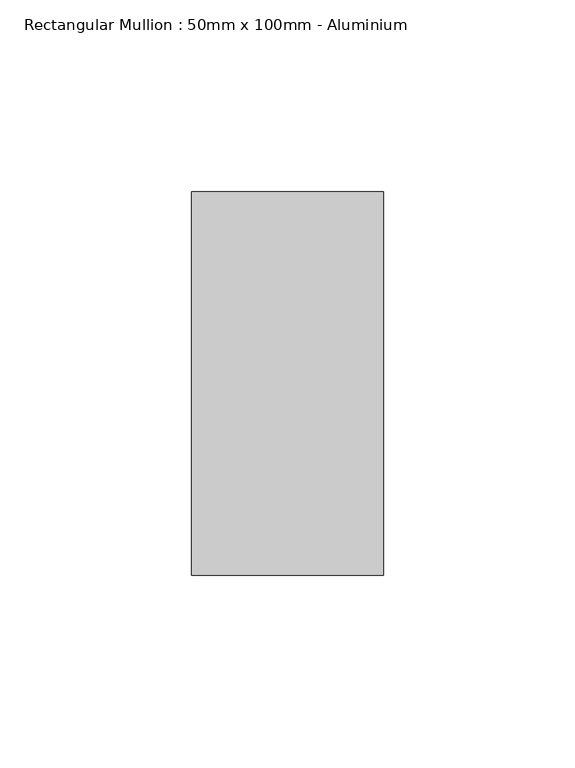
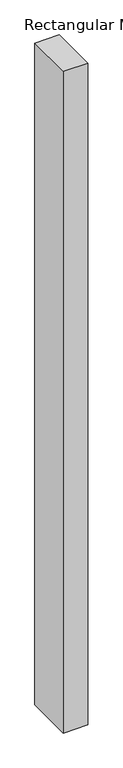
"""IFC4 building model written with IfcOpenShell, lengths in millimetres: member geometry, Rectangular Mullion : 50mm x 100mm - Aluminium."""

from ifc_helpers import new_model, si_unit, frame, origin, place, context, project, spatial, polyline, outline, extrude, source, transform, mapped, element, save


def rectangular_mullion_50mm_x_100mm_aluminium_14fa1912(model_context):
    return source(origin(), model_context, "Body", "SweptSolid", [
        extrude(outline(polyline([(0.0, 50.0), (0.0, -50.0), (-50.0, -50.0), (-50.0, 50.0), (0.0, 50.0)])), frame((0.0, 0.0, -1425.0), z_axis=(0.0, 0.0, 1.0), x_axis=(1.0, 0.0, 0.0)), (0.0, 0.0, 1.0), 1425.0),
    ])


if __name__ == "__main__":
    model = new_model("IFC4")
    model_context = context("Model", 3, world=origin())
    ifc_project = project(units=[si_unit("LENGTHUNIT", "METRE", prefix="MILLI")], contexts=[model_context])
    site = spatial("IfcSite", under=ifc_project)
    building = spatial("IfcBuilding", under=site)
    placement = place(None, origin())
    rectangular_mullion_50mm_x_100mm_aluminium_shape = rectangular_mullion_50mm_x_100mm_aluminium_14fa1912(model_context)
    element("IfcMember", 1, ObjectType="Rectangular Mullion : 50mm x 100mm - Aluminium", at=placement, inside=building, context=model_context, shape_type="MappedRepresentation", body=[
        mapped(rectangular_mullion_50mm_x_100mm_aluminium_shape, transform((0.0, 0.0, 0.0), x_axis=(1.0, 0.0, 0.0), y_axis=(0.0, 1.0, 0.0), z_axis=(0.0, 0.0, 1.0))),
    ])
    save(model, "model.ifc")
